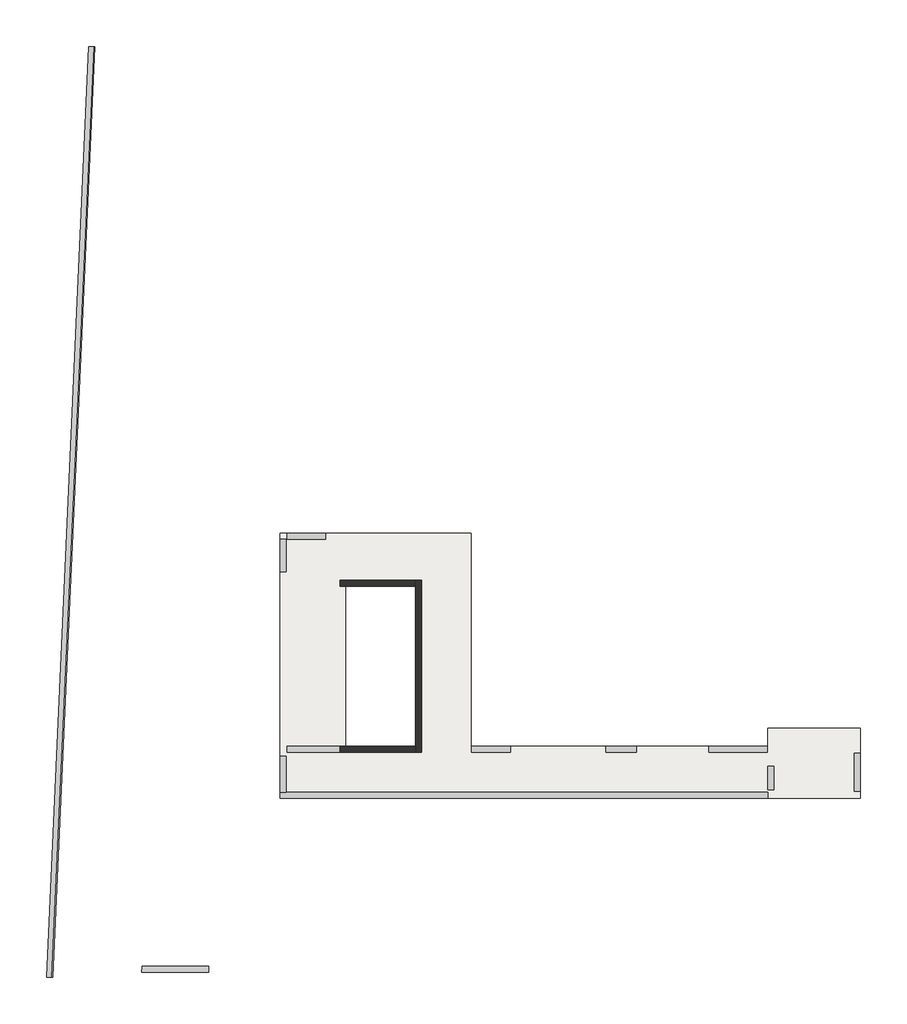
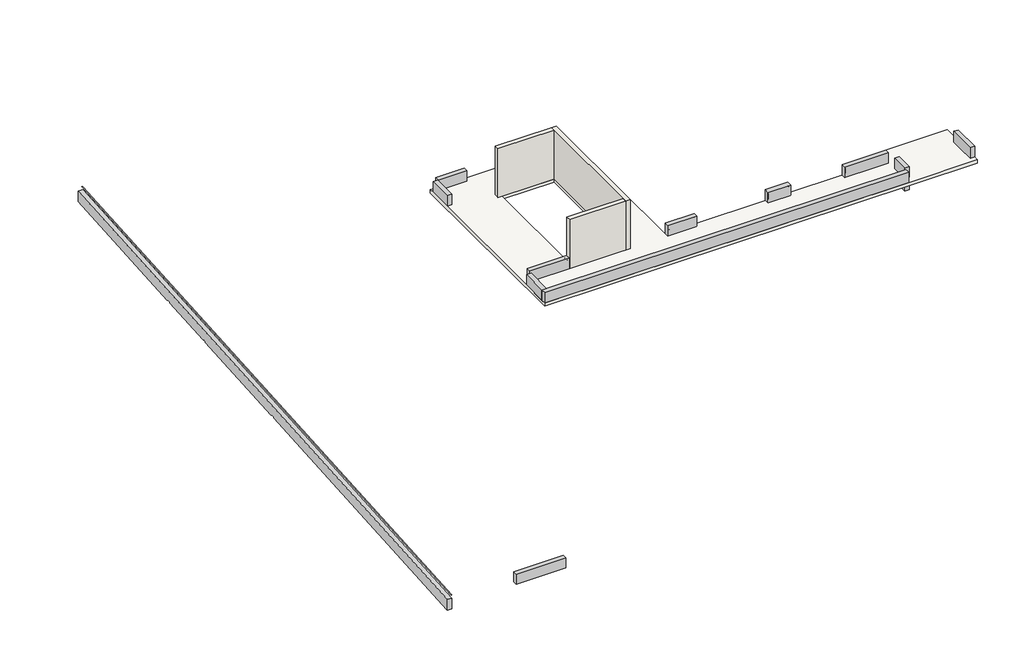
# One storey, part 1 of 2: 12 beams, 3 walls, 1 slab.
"""IFC4 building model written with IfcOpenShell, lengths in millimetres."""

from ifc_helpers import new_model, si_unit, frame, origin, place, context, project, spatial, polyline, outline, extrude, faceted_brep, element, save

model = new_model("IFC4")

# Units and contexts
model_context = context("Model", 3, world=origin())
ifc_project = project(units=[si_unit("LENGTHUNIT", "METRE", prefix="MILLI")], contexts=[model_context])

# Site, building, storey
site = spatial("IfcSite", under=ifc_project)
building = spatial("IfcBuilding", under=site)
storey = spatial("IfcBuildingStorey", under=building, Elevation=25430.0)

# Beams
placement = place(None, origin())
element("IfcBeam", 1, ObjectType="V. 20/108", at=placement, inside=storey, context=model_context, shape_type="SweptSolid", body=[
    extrude(outline(polyline([(-20550.6912908, -12989.0672499), (-20750.6912908, -12989.0672499), (-20750.6912908, -12209.0672499), (-20550.6912908, -12209.0672499), (-20550.6912908, -12989.0672499)])), frame((0.0, 0.0, 25430.0), z_axis=(0.0, 0.0, 1.0), x_axis=(1.0, 0.0, 0.0)), (0.0, 0.0, 1.0), 500.0),
    extrude(outline(polyline([(-20550.6912908, -12989.0672499), (-20750.6912908, -12989.0672499), (-20750.6912908, -12209.0672499), (-20550.6912908, -12209.0672499), (-20550.6912908, -12989.0672499)])), frame((0.0, 0.0, 24850.0), z_axis=(0.0, 0.0, 1.0), x_axis=(1.0, 0.0, 0.0)), (0.0, 0.0, 1.0), 430.0),
])
element("IfcBeam", 2, ObjectType="VI. 20/62.5", at=placement, inside=storey, context=model_context, shape_type="Brep", body=[
    faceted_brep([(-39315.6912908, -19049.0672499, 17300.0), (-39315.6912908, -18849.0672499, 17300.0), (-39315.6912908, -18849.0672499, 17500.0), (-39315.6912908, -18849.0672499, 17774.880048), (-39315.6912908, -19049.0672499, 17782.880048), (-41528.1521519, -19049.0672499, 17782.880048), (-41528.1521519, -19049.0672499, 17300.0), (-41519.0791695, -18849.0672499, 17300.0), (-41519.0791695, -18849.0672499, 17500.0), (-41519.0791695, -18849.0672499, 17774.880048)], [[[0, 1, 2, 3, 4]], [[0, 4, 5, 6]], [[1, 0, 6, 7]], [[3, 2, 1, 7, 8, 9]], [[4, 3, 9, 5]], [[6, 5, 9, 8, 7]]]),
])
element("IfcBeam", 3, ObjectType="VI. 20/64.5", at=placement, inside=storey, context=model_context, shape_type="Brep", body=[
    faceted_brep([(-43088.4832977, 11650.9327501, 17793.8824341), (-44488.8981404, -19219.0672499, 17793.8824341), (-44488.8981404, -19219.0672499, 17500.0), (-44488.8981404, -19219.0672499, 17300.0), (-43829.7459647, -4689.0672499, 17300.0), (-43829.7459647, -4689.0672499, 17350.0), (-43820.6729822, -4489.0672499, 17350.0), (-43820.6729822, -4489.0672499, 17300.0), (-43571.6196137, 1000.9327501, 17300.0), (-43571.6196137, 1000.9327501, 17350.0), (-43562.5466312, 1200.9327501, 17350.0), (-43562.5466312, 1200.9327501, 17300.0), (-43435.5248768, 4000.9327501, 17300.0), (-43435.5248768, 4000.9327501, 17350.0), (-43426.4518943, 4200.9327501, 17350.0), (-43426.4518943, 4200.9327501, 17300.0), (-43088.4832977, 11650.9327501, 17300.0), (-43088.4832977, 11650.9327501, 17500.0), (-43288.6889895, 11650.9327501, 17300.0), (-43626.6575861, 4200.9327501, 17300.0), (-44689.1038321, -19219.0672499, 17801.8024341), (-43288.6889895, 11650.9327501, 17801.8024341), (-43626.6575861, 4200.9327501, 17350.0), (-43635.7305686, 4000.9327501, 17350.0), (-43635.7305686, 4000.9327501, 17300.0), (-43762.752323, 1200.9327501, 17300.0), (-43762.752323, 1200.9327501, 17350.0), (-43771.8253055, 1000.9327501, 17350.0), (-43771.8253055, 1000.9327501, 17300.0), (-44020.878674, -4489.0672499, 17300.0), (-44020.878674, -4489.0672499, 17350.0), (-44029.9516564, -4689.0672499, 17350.0), (-44029.9516564, -4689.0672499, 17300.0), (-44689.1038321, -19219.0672499, 17300.0)], [[[0, 1, 2, 3, 4, 5, 6, 7, 8, 9, 10, 11, 12, 13, 14, 15, 16, 17]], [[18, 16, 15, 19]], [[20, 21, 18, 19, 22, 23, 24, 25, 26, 27, 28, 29, 30, 31, 32, 33]], [[1, 0, 21, 20]], [[16, 18, 21, 0, 17]], [[33, 3, 2, 1, 20]], [[5, 4, 32, 31]], [[7, 6, 30, 29]], [[9, 8, 28, 27]], [[11, 10, 26, 25]], [[10, 9, 27, 26]], [[14, 22, 19, 15]], [[23, 13, 12, 24]], [[11, 25, 24, 12]], [[8, 7, 29, 28]], [[3, 33, 32, 4]], [[22, 14, 13, 23]], [[5, 31, 30, 6]]]),
    faceted_brep([(-43088.4832977, 11650.9327501, 17945.0), (-43113.7617942, 11650.9327501, 17945.0), (-44514.1766368, -19219.0672499, 17945.0), (-44488.8981404, -19219.0672499, 17945.0), (-43088.4832977, 11650.9327501, 17944.0), (-44488.8981404, -19219.0672499, 17944.0)], [[[0, 1, 2, 3]], [[4, 5, 2, 1]], [[1, 0, 4]], [[5, 4, 0, 3]], [[5, 3, 2]]]),
])
element("IfcBeam", 4, ObjectType="VI. 20/65", at=placement, inside=storey, context=model_context, shape_type="Brep", body=[
    faceted_brep([(-20750.6912908, -13079.0672499, 25930.0), (-20750.6912908, -13279.0672499, 25930.0), (-20750.6912908, -13279.0672499, 25430.0), (-20750.6912908, -13079.0672499, 25430.0), (-36935.6912908, -13079.0672499, 25930.0), (-36735.6912908, -13079.0672499, 25930.0), (-36735.6912908, -13079.0672499, 25430.0), (-36935.6912908, -13079.0672499, 25430.0), (-36935.6912908, -13279.0672499, 25930.0), (-36935.6912908, -13279.0672499, 25430.0)], [[[0, 1, 2, 3]], [[4, 5, 0, 3, 6, 7]], [[1, 8, 9, 2]], [[1, 0, 5, 4, 8]], [[3, 2, 9, 7, 6]], [[8, 4, 7, 9]]]),
])
element("IfcBeam", 5, ObjectType="VI. 20/65", at=placement, inside=storey, context=model_context, shape_type="SweptSolid", body=[
    extrude(outline(polyline([(-36935.6912908, -11889.0672499), (-36735.6912908, -11889.0672499), (-36735.6912908, -13079.0672499), (-36935.6912908, -13079.0672499), (-36935.6912908, -11889.0672499)])), frame((0.0, 0.0, 25430.0), z_axis=(0.0, 0.0, 1.0), x_axis=(1.0, 0.0, 0.0)), (0.0, 0.0, 1.0), 500.0),
])
element("IfcBeam", 6, ObjectType="VI. 20/65", at=placement, inside=storey, context=model_context, shape_type="SweptSolid", body=[
    extrude(outline(polyline([(-29290.6912908, -11559.0672499), (-29290.6912908, -11759.0672499), (-30580.6912908, -11759.0672499), (-30580.6912908, -11559.0672499), (-29290.6912908, -11559.0672499)])), frame((0.0, 0.0, 25430.0), z_axis=(0.0, 0.0, 1.0), x_axis=(1.0, 0.0, 0.0)), (0.0, 0.0, 1.0), 500.0),
])
element("IfcBeam", 7, ObjectType="VI. 20/65", at=placement, inside=storey, context=model_context, shape_type="SweptSolid", body=[
    extrude(outline(polyline([(-20775.6912908, -11559.0672499), (-20775.6912908, -11759.0672499), (-22710.6912908, -11759.0672499), (-22710.6912908, -11559.0672499), (-20775.6912908, -11559.0672499)])), frame((0.0, 0.0, 25430.0), z_axis=(0.0, 0.0, 1.0), x_axis=(1.0, 0.0, 0.0)), (0.0, 0.0, 1.0), 500.0),
])
element("IfcBeam", 8, ObjectType="VI. 20/65", at=placement, inside=storey, context=model_context, shape_type="SweptSolid", body=[
    extrude(outline(polyline([(-25120.6912908, -11559.0672499), (-25120.6912908, -11759.0672499), (-26130.6912908, -11759.0672499), (-26130.6912908, -11559.0672499), (-25120.6912908, -11559.0672499)])), frame((0.0, 0.0, 25430.0), z_axis=(0.0, 0.0, 1.0), x_axis=(1.0, 0.0, 0.0)), (0.0, 0.0, 1.0), 500.0),
])
element("IfcBeam", 9, ObjectType="VI. 20/65", at=placement, inside=storey, context=model_context, shape_type="SweptSolid", body=[
    extrude(outline(polyline([(-35430.6912908, -4489.0672499), (-35430.6912908, -4689.0672499), (-36710.6912908, -4689.0672499), (-36710.6912908, -4489.0672499), (-35430.6912908, -4489.0672499)])), frame((0.0, 0.0, 25430.0), z_axis=(0.0, 0.0, 1.0), x_axis=(1.0, 0.0, 0.0)), (0.0, 0.0, 1.0), 500.0),
])
element("IfcBeam", 10, ObjectType="VI. 20/65", at=placement, inside=storey, context=model_context, shape_type="SweptSolid", body=[
    extrude(outline(polyline([(-34970.6912908, -11559.0672499), (-34970.6912908, -11759.0672499), (-36710.6912908, -11759.0672499), (-36710.6912908, -11559.0672499), (-34970.6912908, -11559.0672499)])), frame((0.0, 0.0, 25430.0), z_axis=(0.0, 0.0, 1.0), x_axis=(1.0, 0.0, 0.0)), (0.0, 0.0, 1.0), 500.0),
])
element("IfcBeam", 11, ObjectType="VI. 20/65", at=placement, inside=storey, context=model_context, shape_type="SweptSolid", body=[
    extrude(outline(polyline([(-17685.6912908, -13054.0672499), (-17885.6912908, -13054.0672499), (-17885.6912908, -11784.0672499), (-17685.6912908, -11784.0672499), (-17685.6912908, -13054.0672499)])), frame((0.0, 0.0, 25430.0), z_axis=(0.0, 0.0, 1.0), x_axis=(1.0, 0.0, 0.0)), (0.0, 0.0, 1.0), 500.0),
])
element("IfcBeam", 12, ObjectType="VI. 20/65", at=placement, inside=storey, context=model_context, shape_type="SweptSolid", body=[
    extrude(outline(polyline([(-36735.6912908, -5774.0672499), (-36935.6912908, -5774.0672499), (-36935.6912908, -4689.0672499), (-36735.6912908, -4689.0672499), (-36735.6912908, -5774.0672499)])), frame((0.0, 0.0, 25430.0), z_axis=(0.0, 0.0, 1.0), x_axis=(1.0, 0.0, 0.0)), (0.0, 0.0, 1.0), 500.0),
])

# Slab
element("IfcSlab", 13, ObjectType="LHA15", at=placement, inside=storey, context=model_context, shape_type="Brep", body=[
    faceted_brep([(-32445.6912908, -6244.0672499, 25280.0), (-32445.6912908, -6244.0672499, 25430.0), (-34745.6912908, -6244.0672499, 25430.0), (-34745.6912908, -6244.0672499, 25280.0), (-34745.6912908, -11559.0672499, 25430.0), (-34745.6912908, -11559.0672499, 25280.0), (-32445.6912908, -11559.0672499, 25430.0), (-32445.6912908, -11559.0672499, 25280.0), (-36935.6912908, -13279.0672499, 25280.0), (-36935.6912908, -13279.0672499, 25430.0), (-36935.6912908, -13079.0672499, 25430.0), (-36935.6912908, -11889.0672499, 25430.0), (-36935.6912908, -5774.0672499, 25430.0), (-36935.6912908, -4689.0672499, 25430.0), (-36935.6912908, -4489.0672499, 25430.0), (-36935.6912908, -4489.0672499, 25280.0), (-30605.6912908, -4489.0672499, 25280.0), (-30605.6912908, -4489.0672499, 25430.0), (-30605.6912908, -11559.0672499, 25430.0), (-30605.6912908, -11559.0672499, 25280.0), (-30580.6912908, -11559.0672499, 25430.0), (-29290.6912908, -11559.0672499, 25430.0), (-26130.6912908, -11559.0672499, 25430.0), (-25120.6912908, -11559.0672499, 25430.0), (-22710.6912908, -11559.0672499, 25430.0), (-20775.6912908, -11559.0672499, 25430.0), (-20750.6912908, -11559.0672499, 25430.0), (-20750.6912908, -11559.0672499, 25280.0), (-20750.6912908, -10959.0672499, 25430.0), (-20750.6912908, -10959.0672499, 25280.0), (-17685.6912908, -10959.0672499, 25430.0), (-17685.6912908, -10959.0672499, 25280.0), (-17685.6912908, -11784.0672499, 25430.0), (-17685.6912908, -13054.0672499, 25430.0), (-17685.6912908, -13279.0672499, 25430.0), (-17685.6912908, -13279.0672499, 25280.0), (-20750.6912908, -13279.0672499, 25430.0), (-35430.6912908, -4489.0672499, 25430.0), (-36710.6912908, -4489.0672499, 25430.0)], [[[0, 1, 2, 3]], [[3, 2, 4, 5]], [[5, 4, 6, 7]], [[7, 6, 1, 0]], [[8, 9, 10, 11, 12, 13, 14, 15]], [[16, 17, 18, 19]], [[19, 18, 20, 21, 22, 23, 24, 25, 26, 27]], [[27, 26, 28, 29]], [[29, 28, 30, 31]], [[31, 30, 32, 33, 34, 35]], [[35, 34, 36, 9, 8]], [[34, 33, 32, 30, 28, 26, 25, 24, 23, 22, 21, 20, 18, 17, 37, 38, 14, 13, 12, 11, 10, 9, 36], [6, 4, 2, 1]], [[35, 8, 15, 16, 19, 27, 29, 31], [7, 0, 3, 5]], [[15, 14, 38, 37, 17, 16]]]),
])

# Walls
element("IfcWall", 14, ObjectType="MHA20", at=placement, inside=storey, context=model_context, shape_type="Brep", body=[
    faceted_brep([(-32245.6912908, -11759.0672499, 27730.0), (-32245.6912908, -11759.0672499, 25930.0), (-32245.6912908, -11759.0672499, 25430.0), (-32245.6912908, -11559.0672499, 25430.0), (-32245.6912908, -6044.0672499, 25430.0), (-32245.6912908, -6044.0672499, 27730.0), (-32445.6912908, -11759.0672499, 25430.0), (-32445.6912908, -11759.0672499, 27730.0), (-32445.6912908, -11559.0672499, 27730.0), (-32445.6912908, -6244.0672499, 27730.0), (-32445.6912908, -6044.0672499, 27730.0), (-32445.6912908, -6044.0672499, 25430.0), (-32445.6912908, -6244.0672499, 25430.0), (-32445.6912908, -11559.0672499, 25430.0)], [[[0, 1, 2, 3, 4, 5]], [[6, 7, 8, 9, 10, 11, 12, 13]], [[4, 3, 2, 6, 13, 12, 11]], [[0, 5, 10, 9, 8, 7]], [[5, 4, 11, 10]], [[0, 7, 6, 2, 1]]]),
])
element("IfcWall", 15, ObjectType="MHA20", at=placement, inside=storey, context=model_context, shape_type="Brep", body=[
    faceted_brep([(-34945.6912908, -11759.0672499, 25430.0), (-32445.6912908, -11759.0672499, 25430.0), (-32445.6912908, -11759.0672499, 27730.0), (-34945.6912908, -11759.0672499, 27730.0), (-34945.6912908, -11559.0672499, 25430.0), (-34945.6912908, -11559.0672499, 27730.0), (-34745.6912908, -11559.0672499, 27730.0), (-32445.6912908, -11559.0672499, 27730.0), (-32445.6912908, -11559.0672499, 25430.0), (-34745.6912908, -11559.0672499, 25430.0)], [[[0, 1, 2, 3]], [[4, 5, 6, 7, 8, 9]], [[1, 0, 4, 9, 8]], [[3, 2, 7, 6, 5]], [[0, 3, 5, 4]], [[2, 1, 8, 7]]]),
])
element("IfcWall", 16, ObjectType="MHA20", at=placement, inside=storey, context=model_context, shape_type="Brep", body=[
    faceted_brep([(-34945.6912908, -6244.0672499, 25430.0), (-34745.6912908, -6244.0672499, 25430.0), (-32445.6912908, -6244.0672499, 25430.0), (-32445.6912908, -6244.0672499, 27730.0), (-34745.6912908, -6244.0672499, 27730.0), (-34945.6912908, -6244.0672499, 27730.0), (-34945.6912908, -6044.0672499, 25430.0), (-34945.6912908, -6044.0672499, 27730.0), (-32445.6912908, -6044.0672499, 27730.0), (-32445.6912908, -6044.0672499, 25430.0)], [[[0, 1, 2, 3, 4, 5]], [[6, 7, 8, 9]], [[2, 1, 0, 6, 9]], [[5, 4, 3, 8, 7]], [[0, 5, 7, 6]], [[3, 2, 9, 8]]]),
])

save(model, "model.ifc")
